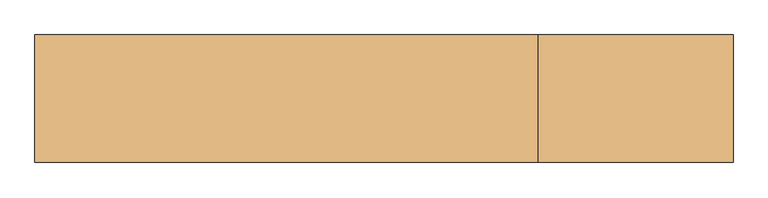
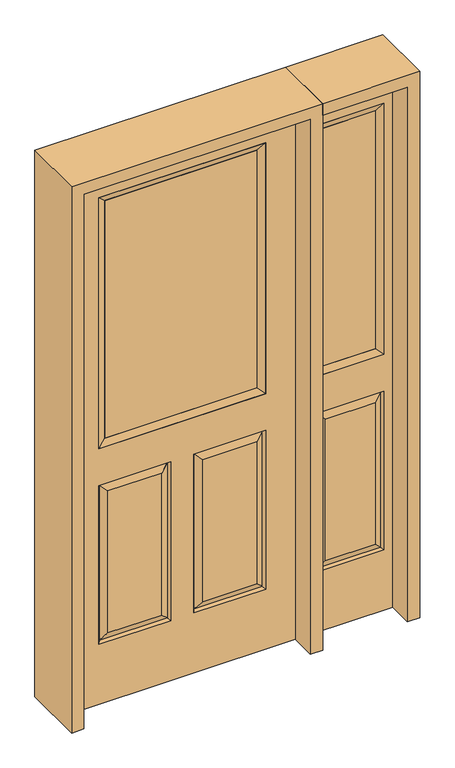
"""IFC4 building model written with IfcOpenShell, lengths in millimetres: door geometry."""

from ifc_helpers import new_model, si_unit, frame, origin, place, context, project, spatial, polyline, outline, extrude, faceted_brep, source, transform, mapped, element, save


def door_49cc8a39(model_context):
    return source(origin(), model_context, "Body", "SolidModel", [
        faceted_brep([(-406.4, -22.225, 0.0), (406.4, -22.225, 0.0), (406.4, -22.225, 2032.0), (-406.4, -22.225, 2032.0), (-299.339, -22.225, 971.55), (-299.339, -22.225, 1925.574), (299.339, -22.225, 1925.574), (299.339, -22.225, 971.55), (-299.339, -22.225, 831.85), (-41.275, -22.225, 831.85), (-41.275, -22.225, 228.6), (-299.339, -22.225, 228.6), (41.275, -22.225, 831.85), (299.339, -22.225, 831.85), (299.339, -22.225, 228.6), (41.275, -22.225, 228.6), (-73.025, -22.225, 800.1), (-267.589, -22.225, 800.1), (-267.589, -22.225, 260.35), (-73.025, -22.225, 260.35), (267.589, -22.225, 800.1), (73.025, -22.225, 800.1), (73.025, -22.225, 260.35), (267.589, -22.225, 260.35), (-406.4, 22.225, 0.0), (406.4, 22.225, 0.0), (406.4, 22.225, 2032.0), (-406.4, 22.225, 2032.0), (-299.339, 22.225, 971.55), (-299.339, 22.225, 1925.574), (299.339, 22.225, 1925.574), (299.339, 22.225, 971.55), (-41.275, 22.225, 831.85), (-299.339, 22.225, 831.85), (-299.339, 22.225, 228.6), (-41.275, 22.225, 228.6), (299.339, 22.225, 831.85), (41.275, 22.225, 831.85), (41.275, 22.225, 228.6), (299.339, 22.225, 228.6), (-267.589, 22.225, 800.1), (-73.025, 22.225, 800.1), (-73.025, 22.225, 260.35), (-267.589, 22.225, 260.35), (73.025, 22.225, 800.1), (267.589, 22.225, 800.1), (267.589, 22.225, 260.35), (73.025, 22.225, 260.35), (-48.41875, -12.7449236, 824.70625), (-292.19525, -12.7449236, 824.70625), (-292.19525, -12.7449236, 235.74375), (-48.41875, -12.7449236, 235.74375), (292.19525, -12.7449236, 824.70625), (48.41875, -12.7449236, 824.70625), (48.41875, -12.7449236, 235.74375), (292.19525, -12.7449236, 235.74375), (-292.19525, 12.7449236, 824.70625), (-48.41875, 12.7449236, 824.70625), (-48.41875, 12.7449236, 235.74375), (-292.19525, 12.7449236, 235.74375), (48.41875, 12.7449236, 824.70625), (292.19525, 12.7449236, 824.70625), (292.19525, 12.7449236, 235.74375), (48.41875, 12.7449236, 235.74375)], [[[0, 1, 2, 3], [4, 5, 6, 7], [8, 9, 10, 11], [12, 13, 14, 15]], [[16, 17, 18, 19]], [[20, 21, 22, 23]], [[1, 0, 24, 25]], [[2, 1, 25, 26]], [[0, 3, 27, 24]], [[5, 4, 28, 29]], [[7, 6, 30, 31]], [[4, 7, 31, 28]], [[24, 27, 26, 25], [28, 31, 30, 29], [32, 33, 34, 35], [36, 37, 38, 39]], [[40, 41, 42, 43]], [[44, 45, 46, 47]], [[3, 2, 26, 27]], [[6, 5, 29, 30]], [[16, 48, 49, 17]], [[17, 49, 50, 18]], [[51, 19, 18, 50]], [[48, 16, 19, 51]], [[49, 48, 9, 8]], [[9, 48, 51, 10]], [[10, 51, 50, 11]], [[49, 8, 11, 50]], [[52, 53, 21, 20]], [[21, 53, 54, 22]], [[22, 54, 55, 23]], [[52, 20, 23, 55]], [[53, 52, 13, 12]], [[13, 52, 55, 14]], [[54, 15, 14, 55]], [[53, 12, 15, 54]], [[56, 57, 41, 40]], [[41, 57, 58, 42]], [[42, 58, 59, 43]], [[56, 40, 43, 59]], [[57, 56, 33, 32]], [[33, 56, 59, 34]], [[58, 35, 34, 59]], [[57, 32, 35, 58]], [[44, 60, 61, 45]], [[45, 61, 62, 46]], [[63, 47, 46, 62]], [[60, 44, 47, 63]], [[61, 60, 37, 36]], [[37, 60, 63, 38]], [[38, 63, 62, 39]], [[61, 36, 39, 62]]]),
        extrude(outline(polyline([(273.939, -12.7), (-273.939, -12.7), (-273.939, 12.7), (273.939, 12.7), (273.939, -12.7)])), frame((0.0, 0.0, 996.95), z_axis=(0.0, 0.0, 1.0), x_axis=(1.0, 0.0, 0.0)), (0.0, 0.0, 1.0), 903.224),
        faceted_brep([(-299.339, -22.225, 1925.574), (-299.339, 22.225, 1925.574), (-299.339, 22.225, 971.55), (-299.339, -22.225, 971.55), (299.339, 22.225, 971.55), (299.339, -22.225, 971.55), (-273.939, 12.7, 996.95), (273.939, 12.7, 996.95), (299.339, 22.225, 1925.574), (299.339, -22.225, 1925.574), (-273.939, -12.7, 996.95), (273.939, -12.7, 996.95), (-273.939, -12.7, 1900.174), (273.939, -12.7, 1900.174), (-273.939, 12.7, 1900.174), (273.939, 12.7, 1900.174)], [[[0, 1, 2, 3]], [[3, 2, 4, 5]], [[2, 6, 7, 4]], [[5, 4, 8, 9]], [[10, 3, 5, 11]], [[12, 0, 3, 10]], [[11, 5, 9, 13]], [[6, 10, 11, 7]], [[14, 12, 10, 6]], [[7, 11, 13, 15]], [[1, 14, 6, 2]], [[4, 7, 15, 8]], [[9, 8, 1, 0]], [[13, 9, 0, 12]], [[15, 13, 12, 14]], [[8, 15, 14, 1]]]),
        faceted_brep([(755.65, -22.225, 0.0), (755.65, -22.225, 2032.0), (450.85, -22.225, 2032.0), (450.85, -22.225, 0.0), (481.838, -22.225, 1925.574), (724.662, -22.225, 1925.574), (724.662, -22.225, 971.55), (481.838, -22.225, 971.55), (481.838, -22.225, 228.6), (481.838, -22.225, 831.85), (724.662, -22.225, 831.85), (724.662, -22.225, 228.6), (692.7559872, -22.225, 260.5060128), (692.7559872, -22.225, 799.9439872), (513.7440128, -22.225, 799.9439872), (513.7440128, -22.225, 260.5060128), (450.85, 22.225, 0.0), (755.65, 22.225, 0.0), (450.85, 22.225, 2032.0), (755.65, 22.225, 2032.0), (481.838, 22.225, 971.55), (481.838, 22.225, 1925.574), (724.662, 22.225, 971.55), (724.662, 22.225, 1925.574), (724.662, 22.225, 228.6), (724.662, 22.225, 831.85), (481.838, 22.225, 831.85), (481.838, 22.225, 228.6), (513.7440128, 22.225, 260.5060128), (513.7440128, 22.225, 799.9439872), (692.7559872, 22.225, 799.9439872), (692.7559872, 22.225, 260.5060128), (717.7419933, -13.0418409, 235.5200067), (488.7580067, -13.0418409, 235.5200067), (717.7419933, -13.0418409, 824.9299933), (488.7580067, -13.0418409, 824.9299933), (717.7419933, 13.0418409, 235.5200067), (488.7580067, 13.0418409, 235.5200067), (488.7580067, 13.0418409, 824.9299933), (717.7419933, 13.0418409, 824.9299933)], [[[0, 1, 2, 3], [4, 5, 6, 7], [8, 9, 10, 11]], [[12, 13, 14, 15]], [[3, 16, 17, 0]], [[2, 18, 16, 3]], [[0, 17, 19, 1]], [[7, 20, 21, 4]], [[6, 22, 20, 7]], [[5, 23, 22, 6]], [[17, 16, 18, 19], [21, 20, 22, 23], [24, 25, 26, 27]], [[28, 29, 30, 31]], [[1, 19, 18, 2]], [[4, 21, 23, 5]], [[8, 11, 32, 33]], [[11, 10, 34, 32]], [[35, 34, 10, 9]], [[33, 35, 9, 8]], [[32, 12, 15, 33]], [[15, 14, 35, 33]], [[14, 13, 34, 35]], [[32, 34, 13, 12]], [[36, 24, 27, 37]], [[27, 26, 38, 37]], [[26, 25, 39, 38]], [[36, 39, 25, 24]], [[37, 28, 31, 36]], [[31, 30, 39, 36]], [[38, 39, 30, 29]], [[37, 38, 29, 28]]]),
        extrude(outline(polyline([(507.238, -12.7), (507.238, 12.7), (699.262, 12.7), (699.262, -12.7), (507.238, -12.7)])), frame((0.0, 0.0, 996.95), z_axis=(0.0, 0.0, 1.0), x_axis=(1.0, 0.0, 0.0)), (0.0, 0.0, 1.0), 903.224),
        faceted_brep([(724.662, -22.225, 1925.574), (724.662, -22.225, 971.55), (724.662, 22.225, 971.55), (724.662, 22.225, 1925.574), (481.838, -22.225, 971.55), (481.838, 22.225, 971.55), (507.238, 12.7, 996.95), (699.262, 12.7, 996.95), (481.838, -22.225, 1925.574), (481.838, 22.225, 1925.574), (699.262, -12.7, 996.95), (507.238, -12.7, 996.95), (699.262, -12.7, 1900.174), (507.238, -12.7, 1900.174), (699.262, 12.7, 1900.174), (507.238, 12.7, 1900.174)], [[[0, 1, 2, 3]], [[1, 4, 5, 2]], [[2, 5, 6, 7]], [[4, 8, 9, 5]], [[10, 11, 4, 1]], [[12, 10, 1, 0]], [[11, 13, 8, 4]], [[7, 6, 11, 10]], [[14, 7, 10, 12]], [[6, 15, 13, 11]], [[3, 2, 7, 14]], [[5, 9, 15, 6]], [[8, 0, 3, 9]], [[13, 12, 0, 8]], [[15, 14, 12, 13]], [[9, 3, 14, 15]]]),
        extrude(outline(polyline([(2076.45, 450.85), (2032.0, 450.85), (2032.0, 755.65), (0.0, 755.65), (0.0, 800.1), (2076.45, 800.1), (2076.45, 450.85)])), frame((0.0, -114.3, 0.0), z_axis=(0.0, 1.0, 0.0), x_axis=(0.0, 0.0, 1.0)), (0.0, 0.0, 1.0), 228.6),
        extrude(outline(polyline([(0.0, -450.85), (0.0, -406.4), (2032.0, -406.4), (2032.0, 406.4), (0.0, 406.4), (0.0, 450.85), (2076.45, 450.85), (2076.45, -450.85), (0.0, -450.85)])), frame((0.0, -114.3, 0.0), z_axis=(0.0, 1.0, 0.0), x_axis=(0.0, 0.0, 1.0)), (0.0, 0.0, 1.0), 228.6),
    ])


if __name__ == "__main__":
    model = new_model("IFC4")
    model_context = context("Model", 3, world=origin())
    ifc_project = project(units=[si_unit("LENGTHUNIT", "METRE", prefix="MILLI")], contexts=[model_context])
    site = spatial("IfcSite", under=ifc_project)
    building = spatial("IfcBuilding", under=site)
    placement = place(None, origin())
    door_shape = door_49cc8a39(model_context)
    element("IfcDoor", 1, at=placement, inside=building, context=model_context, shape_type="MappedRepresentation", body=[
        mapped(door_shape, transform((0.0, 0.0, 0.0), x_axis=(1.0, 0.0, 0.0), y_axis=(0.0, 1.0, 0.0), z_axis=(0.0, 0.0, 1.0))),
    ])
    save(model, "model.ifc")
